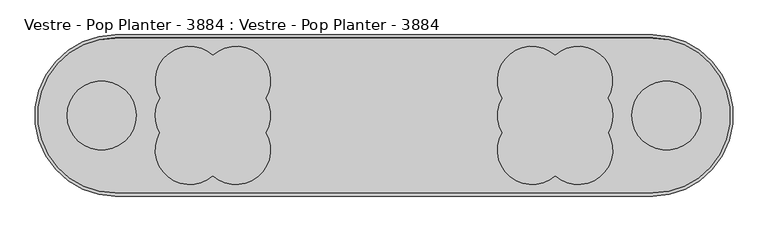
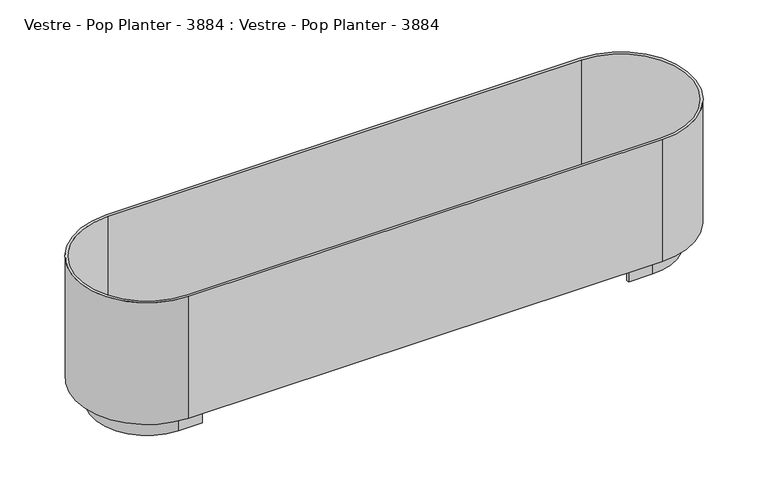
"""IFC4 building model written with IfcOpenShell, lengths in millimetres: furniture geometry, Vestre - Pop Planter - 3884 : Vestre - Pop Planter - 3884."""

from ifc_helpers import new_model, si_unit, point, frame, frame_2d, origin, place, context, project, spatial, polyline, circle_curve, trimmed, segment, composite_curve, outline, extrude, source, transform, mapped, element, save
from ifc_brep_helpers import plane_surface, cylinder_surface, revolved_surface, advanced_brep


def vestre_pop_planter_3884_vestre_pop_planter_3884_5b7ef9ba(model_context):
    return source(origin(), model_context, "Body", "SolidModel", [
        advanced_brep(
        [(-700.0, 210.0, 450.0), (-700.0, -210.0, 450.0), (700.0, -210.0, 450.0), (700.0, 210.0, 450.0), (-700.0, -202.0, 450.0), (-700.0, 202.0, 450.0), (700.0, 202.0, 450.0), (700.0, -202.0, 450.0), (-700.0, -210.0, 70.0), (-700.0, 210.0, 70.0), (700.0, 210.0, 70.0), (700.0, -210.0, 70.0), (-630.0, 152.0, 70.0), (-630.0, 160.0, 70.0), (-700.0, 160.0, 70.0), (-700.0, -160.0, 70.0), (-630.0, -160.0, 70.0), (-630.0, -152.0, 70.0), (-700.0, -152.0, 70.0), (-700.0, 152.0, 70.0), (630.0, 152.0, 70.0), (700.0, 152.0, 70.0), (700.0, -152.0, 70.0), (630.0, -152.0, 70.0), (630.0, -160.0, 70.0), (700.0, -160.0, 70.0), (700.0, 160.0, 70.0), (630.0, 160.0, 70.0), (700.0, -202.0, 80.0), (-700.0, -202.0, 80.0), (-700.0, 202.0, 80.0), (700.0, 202.0, 80.0), (-630.0, 152.0, 0.0), (-700.0, 152.0, 0.0), (-700.0, -152.0, 0.0), (-630.0, -152.0, 0.0), (-630.0, -160.0, 0.0), (-700.0, -160.0, 0.0), (-700.0, 160.0, 0.0), (-630.0, 160.0, 0.0), (630.0, 152.0, 0.0), (630.0, 160.0, 0.0), (700.0, 160.0, 0.0), (700.0, -160.0, 0.0), (630.0, -160.0, 0.0), (630.0, -152.0, 0.0), (700.0, -152.0, 0.0), (700.0, 152.0, 0.0)],
        [
            (0, 1, circle_curve(frame((-700.0, 0.0, 450.0), z_axis=(0.0, 0.0, 1.0), x_axis=(0.0, -1.0, 0.0)), 210.0)),
            (1, 2),
            (2, 3, circle_curve(frame((700.0, 0.0, 450.0), z_axis=(0.0, 0.0, 1.0), x_axis=(0.0, -1.0, 0.0)), 210.0)),
            (3, 0),
            (4, 5, circle_curve(frame((-700.0, 0.0, 450.0), z_axis=(0.0, 0.0, -1.0), x_axis=(0.0, 1.0, 0.0)), 202.0)),
            (5, 6),
            (6, 7, circle_curve(frame((700.0, 0.0, 450.0), z_axis=(0.0, 0.0, -1.0), x_axis=(0.0, 1.0, 0.0)), 202.0)),
            (7, 4),
            (8, 9, circle_curve(frame((-700.0, 0.0, 70.0), z_axis=(0.0, 0.0, -1.0), x_axis=(0.0, -1.0, 0.0)), 210.0)),
            (9, 10),
            (10, 11, circle_curve(frame((700.0, 0.0, 70.0), z_axis=(0.0, 0.0, -1.0), x_axis=(0.0, -1.0, 0.0)), 210.0)),
            (11, 8),
            (12, 13),
            (13, 14),
            (14, 15, circle_curve(frame((-700.0, 0.0, 70.0), z_axis=(0.0, 0.0, 1.0), x_axis=(0.0, -1.0, 0.0)), 160.0)),
            (15, 16),
            (16, 17),
            (17, 18),
            (18, 19, circle_curve(frame((-700.0, 0.0, 70.0), z_axis=(0.0, 0.0, -1.0), x_axis=(0.0, 1.0, 0.0)), 152.0)),
            (19, 12),
            (20, 21),
            (21, 22, circle_curve(frame((700.0, 0.0, 70.0), z_axis=(0.0, 0.0, -1.0), x_axis=(0.0, 1.0, 0.0)), 152.0)),
            (22, 23),
            (23, 24),
            (24, 25),
            (25, 26, circle_curve(frame((700.0, 0.0, 70.0), z_axis=(0.0, 0.0, 1.0), x_axis=(0.0, -1.0, 0.0)), 160.0)),
            (26, 27),
            (27, 20),
            (0, 9),
            (8, 1),
            (11, 2),
            (7, 28),
            (28, 29),
            (29, 4),
            (29, 30, circle_curve(frame((-700.0, 0.0, 80.0), z_axis=(0.0, 0.0, -1.0), x_axis=(0.0, 1.0, 0.0)), 202.0)),
            (30, 5),
            (30, 31),
            (31, 6),
            (3, 10),
            (31, 28, circle_curve(frame((700.0, 0.0, 80.0), z_axis=(0.0, 0.0, -1.0), x_axis=(0.0, 1.0, 0.0)), 202.0)),
            (32, 33),
            (33, 34, circle_curve(frame((-700.0, 0.0, 0.0), z_axis=(0.0, 0.0, 1.0), x_axis=(0.0, 1.0, 0.0)), 152.0)),
            (34, 35),
            (35, 36),
            (36, 37),
            (37, 38, circle_curve(frame((-700.0, 0.0, 0.0), z_axis=(0.0, 0.0, -1.0), x_axis=(0.0, -1.0, 0.0)), 160.0)),
            (38, 39),
            (39, 32),
            (40, 41),
            (41, 42),
            (42, 43, circle_curve(frame((700.0, 0.0, 0.0), z_axis=(0.0, 0.0, -1.0), x_axis=(0.0, -1.0, 0.0)), 160.0)),
            (43, 44),
            (44, 45),
            (45, 46),
            (46, 47, circle_curve(frame((700.0, 0.0, 0.0), z_axis=(0.0, 0.0, 1.0), x_axis=(0.0, 1.0, 0.0)), 152.0)),
            (47, 40),
            (39, 13),
            (12, 32),
            (38, 14),
            (37, 15),
            (36, 16),
            (35, 17),
            (34, 18),
            (33, 19),
            (47, 21),
            (20, 40),
            (46, 22),
            (45, 23),
            (44, 24),
            (43, 25),
            (42, 26),
            (41, 27),
        ],
        [
            plane_surface(frame((-700.0, -210.0, 450.0), z_axis=(0.0, 0.0, 1.0), x_axis=(1.0, 0.0, 0.0))),
            plane_surface(frame((-700.0, -210.0, 70.0), z_axis=(0.0, 0.0, -1.0), x_axis=(-1.0, 0.0, 0.0))),
            cylinder_surface(frame((-700.0, 0.0, 70.0), z_axis=(0.0, 0.0, 1.0), x_axis=(0.0, -1.0, 0.0)), 210.0),
            plane_surface(frame((-700.0, -210.0, 450.0), z_axis=(0.0, -1.0, 0.0), x_axis=(0.0, 0.0, -1.0))),
            plane_surface(frame((-630.0, -202.0, 450.0), z_axis=(0.0, 1.0, 0.0), x_axis=(0.0, 0.0, -1.0))),
            revolved_surface(polyline([(-700.0, 202.0, 80.0), (-700.0, 202.0, 450.0)]), (-700.0, 0.0, 70.0), (0.0, 0.0, -1.0)),
            plane_surface(frame((-700.0, 202.0, 450.0), z_axis=(0.0, -1.0, 0.0), x_axis=(0.0, 0.0, -1.0))),
            plane_surface(frame((-630.0, 210.0, 450.0), z_axis=(0.0, 1.0, 0.0), x_axis=(0.0, 0.0, -1.0))),
            cylinder_surface(frame((700.0, 0.0, 70.0), z_axis=(0.0, 0.0, 1.0), x_axis=(0.0, -1.0, 0.0)), 210.0),
            revolved_surface(polyline([(700.0, 202.0, 80.0), (700.0, 202.0, 450.0)]), (700.0, 0.0, 70.0), (0.0, 0.0, -1.0)),
            plane_surface(frame((-700.0, 202.0, 80.0), z_axis=(0.0, 0.0, 1.0), x_axis=(-1.0, 0.0, 0.0))),
            plane_surface(frame((-630.0, 152.0, 0.0), z_axis=(0.0, 0.0, -1.0), x_axis=(0.0, -1.0, 0.0))),
            plane_surface(frame((-630.0, 152.0, 70.0), z_axis=(1.0, 0.0, 0.0), x_axis=(0.0, 0.0, -1.0))),
            plane_surface(frame((-630.0, 160.0, 70.0), z_axis=(0.0, 1.0, 0.0), x_axis=(0.0, 0.0, -1.0))),
            cylinder_surface(frame((-700.0, 0.0, 0.0), z_axis=(0.0, 0.0, 1.0), x_axis=(0.0, -1.0, 0.0)), 160.0),
            plane_surface(frame((-700.0, -160.0, 70.0), z_axis=(0.0, -1.0, 0.0), x_axis=(0.0, 0.0, -1.0))),
            plane_surface(frame((-630.0, -160.0, 70.0), z_axis=(1.0, 0.0, 0.0), x_axis=(0.0, 0.0, -1.0))),
            plane_surface(frame((-630.0, -152.0, 70.0), z_axis=(0.0, 1.0, 0.0), x_axis=(0.0, 0.0, -1.0))),
            revolved_surface(polyline([(-700.0, 152.0, 0.0), (-700.0, 152.0, 70.0)]), (-700.0, 0.0, 0.0), (0.0, 0.0, -1.0)),
            plane_surface(frame((-700.0, 152.0, 70.0), z_axis=(0.0, -1.0, 0.0), x_axis=(0.0, 0.0, -1.0))),
            plane_surface(frame((630.0, 152.0, 70.0), z_axis=(0.0, -1.0, 0.0), x_axis=(0.0, 0.0, -1.0))),
            revolved_surface(polyline([(700.0, 152.0, 0.0), (700.0, 152.0, 70.0)]), (700.0, 0.0, 0.0), (0.0, 0.0, -1.0)),
            plane_surface(frame((700.0, -152.0, 70.0), z_axis=(0.0, 1.0, 0.0), x_axis=(0.0, 0.0, -1.0))),
            plane_surface(frame((630.0, -152.0, 70.0), z_axis=(-1.0, 0.0, 0.0), x_axis=(0.0, 0.0, -1.0))),
            plane_surface(frame((630.0, -160.0, 70.0), z_axis=(0.0, -1.0, 0.0), x_axis=(0.0, 0.0, -1.0))),
            cylinder_surface(frame((700.0, 0.0, 0.0), z_axis=(0.0, 0.0, 1.0), x_axis=(0.0, -1.0, 0.0)), 160.0),
            plane_surface(frame((700.0, 160.0, 70.0), z_axis=(0.0, 1.0, 0.0), x_axis=(0.0, 0.0, -1.0))),
            plane_surface(frame((630.0, 160.0, 70.0), z_axis=(-1.0, 0.0, 0.0), x_axis=(0.0, 0.0, -1.0))),
        ],
        [
            (0, [[1, 2, 3, 4], [5, 6, 7, 8]]),
            (1, [[9, 10, 11, 12], [13, 14, 15, 16, 17, 18, 19, 20], [21, 22, 23, 24, 25, 26, 27, 28]]),
            (2, [[-1, 29, -9, 30]]),
            (3, [[-30, -12, 31, -2]]),
            (4, [[-8, 32, 33, 34]]),
            (5, [[-5, -34, 35, 36]]),
            (6, [[-6, -36, 37, 38]]),
            (7, [[-29, -4, 39, -10]]),
            (8, [[-3, -31, -11, -39]]),
            (9, [[-7, -38, 40, -32]]),
            (10, [[-33, -40, -37, -35]]),
            (11, [[41, 42, 43, 44, 45, 46, 47, 48]]),
            (11, [[49, 50, 51, 52, 53, 54, 55, 56]]),
            (12, [[-48, 57, -13, 58]]),
            (13, [[-47, 59, -14, -57]]),
            (14, [[-46, 60, -15, -59]]),
            (15, [[-45, 61, -16, -60]]),
            (16, [[-44, 62, -17, -61]]),
            (17, [[-43, 63, -18, -62]]),
            (18, [[-42, 64, -19, -63]]),
            (19, [[-41, -58, -20, -64]]),
            (20, [[-56, 65, -21, 66]]),
            (21, [[-55, 67, -22, -65]]),
            (22, [[-54, 68, -23, -67]]),
            (23, [[-53, 69, -24, -68]]),
            (24, [[-52, 70, -25, -69]]),
            (25, [[-51, 71, -26, -70]]),
            (26, [[-50, 72, -27, -71]]),
            (27, [[-49, -66, -28, -72]]),
        ],
    ),
        extrude(outline(composite_curve([segment(polyline([(-700.0, 202.0), (700.0, 202.0)]), True, "CONTINUOUS"), segment(trimmed(circle_curve(frame_2d((700.0, 0.0)), 202.0), [point((700.0, 202.0))], [point((700.0, -202.0))], False, "CARTESIAN"), True, "CONTINUOUS"), segment(polyline([(700.0, -202.0), (-700.0, -202.0)]), True, "CONTINUOUS"), segment(trimmed(circle_curve(frame_2d((-700.0, 0.0)), 202.0), [point((-700.0, -202.0))], [point((-700.0, 202.0))], False, "CARTESIAN"), True, "CONTINUOUS")], self_intersect=False), holes=[composite_curve([segment(trimmed(circle_curve(frame_2d((-736.1748477, 0.0)), 90.0), [point((-826.1748477, 0.0))], [point((-646.1748477, 0.0))], True, "CARTESIAN"), True, "CONTINUOUS"), segment(trimmed(circle_curve(frame_2d((-736.1748477, 0.0)), 90.0), [point((-646.1748477, 0.0))], [point((-826.1748477, 0.0))], True, "CARTESIAN"), True, "CONTINUOUS")], self_intersect=False), composite_curve([segment(trimmed(circle_curve(frame_2d((736.1748477, 0.0)), 90.0), [point((826.1748477, 0.0))], [point((646.1748477, 0.0))], True, "CARTESIAN"), True, "CONTINUOUS"), segment(trimmed(circle_curve(frame_2d((736.1748477, 0.0)), 90.0), [point((646.1748477, 0.0))], [point((826.1748477, 0.0))], True, "CARTESIAN"), True, "CONTINUOUS")], self_intersect=False), composite_curve([segment(trimmed(circle_curve(frame_2d((-506.1748477, 0.0)), 90.0), [point((-583.8447926, 45.4684468))], [point((-584.117134, -45.0))], True, "CARTESIAN"), True, "CONTINUOUS"), segment(trimmed(circle_curve(frame_2d((-506.1748477, -90.0)), 90.0), [point((-584.117134, -45.0))], [point((-446.1748477, -157.0820393))], True, "CARTESIAN"), True, "CONTINUOUS"), segment(trimmed(circle_curve(frame_2d((-386.1629994, -89.8687474)), 90.105763), [point((-446.1748477, -157.0820393))], [point((-308.1278269, -44.8181051))], True, "CARTESIAN"), True, "CONTINUOUS"), segment(trimmed(circle_curve(frame_2d((-386.1748477, 0.0)), 90.0), [point((-308.1278269, -44.8181051))], [point((-308.1278269, 44.8181051))], True, "CARTESIAN"), True, "CONTINUOUS"), segment(trimmed(circle_curve(frame_2d((-385.7977718, 90.2865519)), 90.0), [point((-308.1278269, 44.8181051))], [point((-445.7977718, 157.3685912))], True, "CARTESIAN"), True, "CONTINUOUS"), segment(trimmed(circle_curve(frame_2d((-505.7977718, 90.2865519)), 90.0), [point((-445.7977718, 157.3685912))], [point((-583.8447926, 45.4684468))], True, "CARTESIAN"), True, "CONTINUOUS")], self_intersect=False), composite_curve([segment(trimmed(circle_curve(frame_2d((505.7977718, 90.2865519)), 90.0), [point((583.8447926, 45.4684468))], [point((445.7977718, 157.3685912))], True, "CARTESIAN"), True, "CONTINUOUS"), segment(trimmed(circle_curve(frame_2d((385.7977718, 90.2865519)), 90.0), [point((445.7977718, 157.3685912))], [point((308.1278269, 44.8181051))], True, "CARTESIAN"), True, "CONTINUOUS"), segment(trimmed(circle_curve(frame_2d((386.1748477, 0.0)), 90.0), [point((308.1278269, 44.8181051))], [point((308.1278269, -44.8181051))], True, "CARTESIAN"), True, "CONTINUOUS"), segment(trimmed(circle_curve(frame_2d((386.1629994, -89.8687474)), 90.105763), [point((308.1278269, -44.8181051))], [point((446.1748477, -157.0820393))], True, "CARTESIAN"), True, "CONTINUOUS"), segment(trimmed(circle_curve(frame_2d((506.1748477, -90.0)), 90.0), [point((446.1748477, -157.0820393))], [point((584.117134, -45.0))], True, "CARTESIAN"), True, "CONTINUOUS"), segment(trimmed(circle_curve(frame_2d((506.1748477, 0.0)), 90.0), [point((584.117134, -45.0))], [point((583.8447926, 45.4684468))], True, "CARTESIAN"), True, "CONTINUOUS")], self_intersect=False)]), frame((0.0, 0.0, 80.0), z_axis=(0.0, 0.0, 1.0), x_axis=(1.0, 0.0, 0.0)), (0.0, 0.0, 1.0), 1.0),
    ])


if __name__ == "__main__":
    model = new_model("IFC4")
    model_context = context("Model", 3, world=origin())
    ifc_project = project(units=[si_unit("LENGTHUNIT", "METRE", prefix="MILLI")], contexts=[model_context])
    site = spatial("IfcSite", under=ifc_project)
    building = spatial("IfcBuilding", under=site)
    placement = place(None, origin())
    vestre_pop_planter_3884_vestre_pop_planter_3884_shape = vestre_pop_planter_3884_vestre_pop_planter_3884_5b7ef9ba(model_context)
    element("IfcFurniture", 1, ObjectType="Vestre - Pop Planter - 3884 : Vestre - Pop Planter - 3884", at=placement, inside=building, context=model_context, shape_type="MappedRepresentation", body=[
        mapped(vestre_pop_planter_3884_vestre_pop_planter_3884_shape, transform((0.0, 0.0, 0.0), x_axis=(1.0, 0.0, 0.0), y_axis=(0.0, 1.0, 0.0), z_axis=(0.0, 0.0, 1.0))),
    ])
    save(model, "model.ifc")
